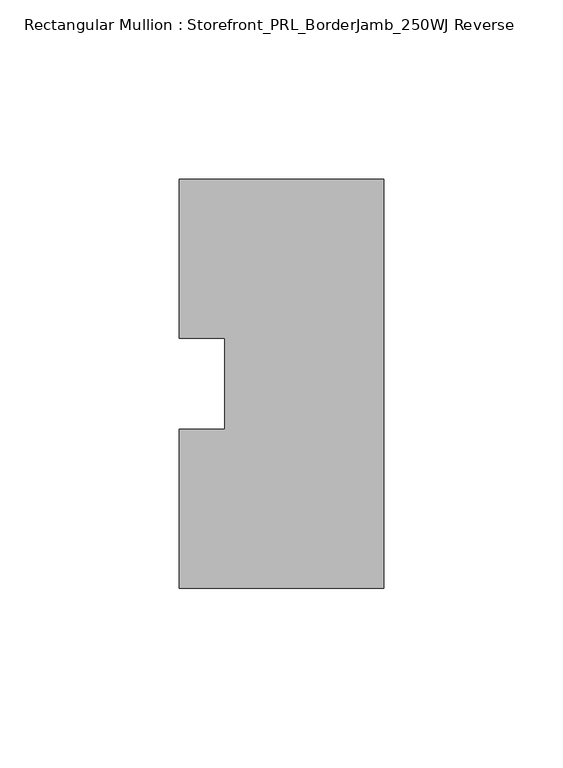
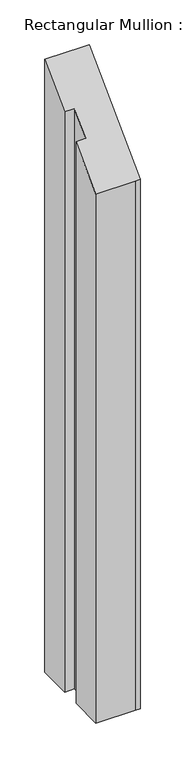
"""IFC4 building model written with IfcOpenShell, lengths in millimetres: member geometry, Rectangular Mullion : Storefront_PRL_BorderJamb_250WJ Reverse."""

from ifc_helpers import new_model, si_unit, origin, place, context, project, spatial, faceted_brep, source, transform, mapped, element, save


def rectangular_mullion_storefront_prl_borderjamb_250wj_reverse_81d752aa(model_context):
    return source(origin(), model_context, "Body", "Brep", [
        faceted_brep([(-44.45, -12.7, -778.9333333), (-44.45, 12.7, -778.9333333), (-57.15, 12.7, -778.9333333), (-57.15, 57.15, -778.9333333), (-7.3958824, 57.15, -778.9333333), (0.0, 57.15, -778.9333333), (0.0, -57.15, -778.9333333), (-6.35, -57.15, -778.9333333), (-57.15, -57.15, -778.9333333), (-57.15, -12.7, -778.9333333), (-57.15, -12.7, -12.7), (-44.45, -12.7, -12.7), (-57.15, -57.15, -57.15), (-6.35, -57.15, -57.15), (0.0, -57.15, -57.15), (0.0, 57.15, 57.15), (-7.3958824, 57.15, 57.15), (-57.15, 57.15, 57.15), (-57.15, 12.7, 12.7), (-44.45, 12.7, 12.7)], [[[0, 1, 2, 3, 4, 5, 6, 7, 8, 9]], [[10, 11, 0, 9]], [[12, 10, 9, 8]], [[13, 12, 8, 7]], [[14, 13, 7, 6]], [[15, 14, 6, 5]], [[16, 15, 5, 4]], [[17, 16, 4, 3]], [[18, 17, 3, 2]], [[19, 18, 2, 1]], [[11, 19, 1, 0]], [[11, 10, 12, 13, 14, 15, 16, 17, 18, 19]]]),
    ])


if __name__ == "__main__":
    model = new_model("IFC4")
    model_context = context("Model", 3, world=origin())
    ifc_project = project(units=[si_unit("LENGTHUNIT", "METRE", prefix="MILLI")], contexts=[model_context])
    site = spatial("IfcSite", under=ifc_project)
    building = spatial("IfcBuilding", under=site)
    placement = place(None, origin())
    rectangular_mullion_storefront_prl_borderjamb_250wj_reverse_shape = rectangular_mullion_storefront_prl_borderjamb_250wj_reverse_81d752aa(model_context)
    element("IfcMember", 1, ObjectType="Rectangular Mullion : Storefront_PRL_BorderJamb_250WJ Reverse", at=placement, inside=building, context=model_context, shape_type="MappedRepresentation", body=[
        mapped(rectangular_mullion_storefront_prl_borderjamb_250wj_reverse_shape, transform((0.0, 0.0, 0.0), x_axis=(1.0, 0.0, 0.0), y_axis=(0.0, 1.0, 0.0), z_axis=(0.0, 0.0, 1.0))),
    ])
    save(model, "model.ifc")
